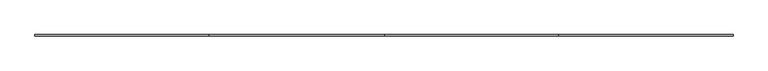
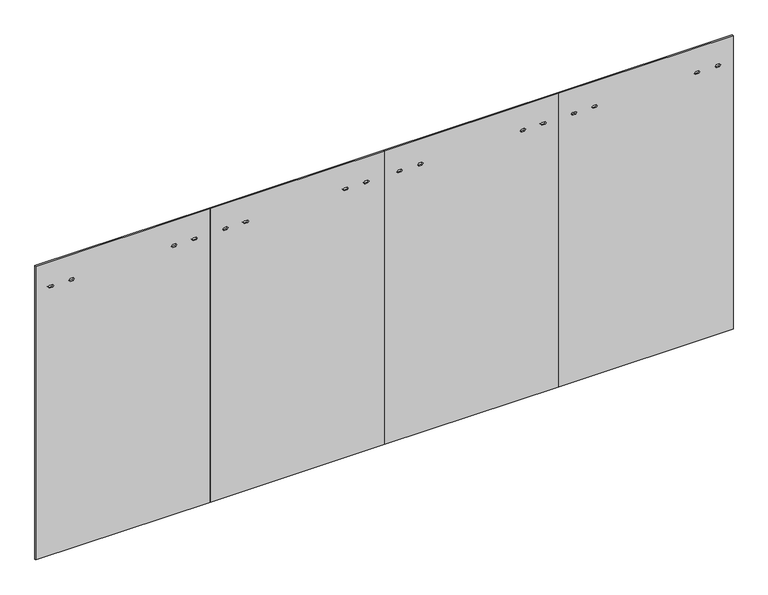
"""IFC4 building model written with IfcOpenShell, lengths in millimetres: furniture geometry."""

import ifcopenshell
import ifcopenshell.guid

model = None  # the IFC model being written
_history = None  # IfcOwnerHistory: only IFC2X3 demands one
_inside = {}  # id of a spatial element -> (the spatial element, [elements in it])
_under = {}  # id of a project, library or spatial element -> (it, [spatial elements below it])
_declared = {}  # id of a project -> (the project, [libraries it declares])
_typed = {}  # id of a type object -> (the type object, [elements of that type])
_made_of = {}  # id of a material, layer set ... -> (it, [elements and type objects made of it])


def new_model(schema):
    """Start an empty IFC model of exactly this schema.

    Asked for "IFC4X3", IfcOpenShell would pick the latest addendum, in which some entities
    have other attributes; the version numbers below select the first issue.
    IFC2X3 requires an IfcOwnerHistory on every rooted entity: one is made here for all.
    """
    global model, _history
    if schema == "IFC4X3":
        model = ifcopenshell.file(schema_version=(4, 3, 0, 0))
    else:
        model = ifcopenshell.file(schema=schema)
    _inside.clear()
    _under.clear()
    _declared.clear()
    _typed.clear()
    _made_of.clear()
    _history = None
    if model.schema == "IFC2X3":
        org = make("IfcOrganization", Name="unknown")
        user = make(
            "IfcPersonAndOrganization",
            ThePerson=make("IfcPerson", FamilyName="unknown"),
            TheOrganization=org,
        )
        app = make(
            "IfcApplication",
            ApplicationDeveloper=org,
            Version="unknown",
            ApplicationFullName="unknown",
            ApplicationIdentifier="unknown",
        )
        _history = make(
            "IfcOwnerHistory",
            OwningUser=user,
            OwningApplication=app,
            ChangeAction="ADDED",
            CreationDate=0,
        )
    return model


def make(cls, **values):
    """One entity of the class cls with the attributes given. An attribute that is None is left unset."""
    return model.create_entity(
        cls, **{name: value for name, value in values.items() if value is not None}
    )


def rooted(cls, **values):
    """An entity with a GlobalId (a new one), such as an element, a storey or a relation."""
    return make(cls, GlobalId=ifcopenshell.guid.new(), OwnerHistory=_history, **values)


def si_unit(unit_type, name, prefix=None):
    """IfcSIUnit, for example si_unit("LENGTHUNIT", "METRE", prefix="MILLI")."""
    return make("IfcSIUnit", UnitType=unit_type, Prefix=prefix, Name=name)


def assignment(units):
    """IfcUnitAssignment: the units of a project."""
    return None if units is None else make("IfcUnitAssignment", Units=units)


def point(xyz):
    """IfcCartesianPoint."""
    return None if xyz is None else make("IfcCartesianPoint", Coordinates=xyz)


def direction(xyz):
    """IfcDirection."""
    return None if xyz is None else make("IfcDirection", DirectionRatios=xyz)


def frame(location, z_axis=None, x_axis=None):
    """IfcAxis2Placement3D, a coordinate frame: its origin and axes. An axis left out is left unset."""
    return make(
        "IfcAxis2Placement3D",
        Location=point(location),
        Axis=direction(z_axis),
        RefDirection=direction(x_axis),
    )


def origin():
    """The frame at (0, 0, 0) with its axes left unset."""
    return frame((0.0, 0.0, 0.0))


def place(relative_to, where):
    """IfcLocalPlacement: puts the frame where relative to a parent placement (None: the world)."""
    return make(
        "IfcLocalPlacement", PlacementRelTo=relative_to, RelativePlacement=where
    )


def context(
    kind, dimensions, precision=None, world=None, true_north=None, identifier=None
):
    """IfcGeometricRepresentationContext, for example the 3D "Model" context."""
    return make(
        "IfcGeometricRepresentationContext",
        ContextIdentifier=identifier,
        ContextType=kind,
        CoordinateSpaceDimension=dimensions,
        Precision=precision,
        WorldCoordinateSystem=world,
        TrueNorth=true_north,
    )


def project(units=None, contexts=None):
    """IfcProject with its units and contexts."""
    return rooted(
        "IfcProject",
        Name="project",
        RepresentationContexts=contexts,
        UnitsInContext=assignment(units),
    )


def spatial(cls, under=None, at=None, **own):
    """A site, building, storey or space (cls), placed at a placement, below another one or the project."""
    s = rooted(cls, ObjectPlacement=at, **own)
    if under is not None:
        _under.setdefault(under.id(), (under, []))[1].append(s)
    return s


def polyline(points):
    """IfcPolyline through the points."""
    return make("IfcPolyline", Points=[point(p) for p in points])


def outline(outer, holes=None, kind="AREA"):
    """IfcArbitraryClosedProfileDef: a profile drawn as a closed curve; with holes, ...WithVoids."""
    if holes is None:
        return make("IfcArbitraryClosedProfileDef", ProfileType=kind, OuterCurve=outer)
    return make(
        "IfcArbitraryProfileDefWithVoids",
        ProfileType=kind,
        OuterCurve=outer,
        InnerCurves=holes,
    )


def extrude(swept, where, along, depth):
    """IfcExtrudedAreaSolid: the profile swept, set in the frame where, extruded along a direction by depth."""
    return make(
        "IfcExtrudedAreaSolid",
        SweptArea=swept,
        Position=where,
        ExtrudedDirection=direction(along),
        Depth=depth,
    )


def shape(context_of_items, identifier, shape_type, items):
    """IfcShapeRepresentation: the items that make up one representation, for example the "Body"."""
    return make(
        "IfcShapeRepresentation",
        ContextOfItems=context_of_items,
        RepresentationIdentifier=identifier,
        RepresentationType=shape_type,
        Items=items,
    )


def source(mapping_origin, context_of_items, identifier, shape_type, items):
    """IfcRepresentationMap: a shape defined once, which mapped items show again and again."""
    return make(
        "IfcRepresentationMap",
        MappingOrigin=mapping_origin,
        MappedRepresentation=shape(context_of_items, identifier, shape_type, items),
    )


def transform(
    local_origin,
    x_axis=None,
    y_axis=None,
    z_axis=None,
    scale=None,
    scale2=None,
    scale3=None,
    uniform=True,
):
    """IfcCartesianTransformationOperator3D, or its non-uniform kind. x_axis, y_axis, z_axis: its Axis1, 2, 3."""
    if uniform:
        return make(
            "IfcCartesianTransformationOperator3D",
            Axis1=direction(x_axis),
            Axis2=direction(y_axis),
            LocalOrigin=point(local_origin),
            Scale=scale,
            Axis3=direction(z_axis),
        )
    return make(
        "IfcCartesianTransformationOperator3DnonUniform",
        Axis1=direction(x_axis),
        Axis2=direction(y_axis),
        LocalOrigin=point(local_origin),
        Scale=scale,
        Axis3=direction(z_axis),
        Scale2=scale2,
        Scale3=scale3,
    )


def mapped(mapping_source, mapping_target):
    """IfcMappedItem: shows the shape of a source again, moved by a transform."""
    return make(
        "IfcMappedItem", MappingSource=mapping_source, MappingTarget=mapping_target
    )


def made_of(thing, what):
    """Note that an element or type object is made of a material, layer set ...; save() writes the relation."""
    if what is not None:
        _made_of.setdefault(what.id(), (what, []))[1].append(thing)
    return thing


def element(
    cls,
    number,
    at=None,
    inside=None,
    cuts=None,
    type_object=None,
    material=None,
    context=None,
    identifier="Body",
    shape_type=None,
    held_by="IfcProductDefinitionShape",
    body=None,
    shapes=None,
    **own,
):
    """One element of the class cls, such as IfcWall. Its Tag is "e" and its number.

    at: its placement. inside: the storey or other place that contains it. cuts: it is an
    opening in that element (IfcRelVoidsElement). A single representation is given by context,
    identifier, shape_type and body (its items); several are given by shapes. held_by: the class
    of the entity that holds the representations. save() writes the other relations.
    """
    e = rooted(cls, Tag="e%d" % number, ObjectPlacement=at, **own)
    if body is not None:
        shapes = [shape(context, identifier, shape_type, body)]
    if shapes is not None:
        e.Representation = make(held_by, Representations=shapes)
    if inside is not None:
        _inside.setdefault(inside.id(), (inside, []))[1].append(e)
    if cuts is not None:
        rooted(
            "IfcRelVoidsElement", RelatingBuildingElement=cuts, RelatedOpeningElement=e
        )
    if type_object is not None:
        _typed.setdefault(type_object.id(), (type_object, []))[1].append(e)
    return made_of(e, material)


def aggregate(whole, parts):
    """IfcRelAggregates: a whole, such as a stair, and the parts it consists of."""
    return rooted("IfcRelAggregates", RelatingObject=whole, RelatedObjects=parts)


def save(model, path):
    """Write the relations noted so far, then the file.

    IfcRelAggregates (storeys below a building ...), IfcRelContainedInSpatialStructure (elements
    in a storey), IfcRelDefinesByType, IfcRelAssociatesMaterial and IfcRelDeclares: one each for
    every whole, place, type object, material and project.
    """
    for whole, parts in _under.values():
        aggregate(whole, parts)
    for where, things in _inside.values():
        rooted(
            "IfcRelContainedInSpatialStructure",
            RelatedElements=things,
            RelatingStructure=where,
        )
    for kind, things in _typed.values():
        rooted("IfcRelDefinesByType", RelatedObjects=things, RelatingType=kind)
    for what, things in _made_of.values():
        rooted("IfcRelAssociatesMaterial", RelatedObjects=things, RelatingMaterial=what)
    for by, libraries in _declared.values():
        rooted("IfcRelDeclares", RelatingContext=by, RelatedDefinitions=libraries)
    model.write(path)


def furniture_c3ea81b7(model_context):
    return source(origin(), model_context, "Body", "SweptSolid", [
        extrude(outline(polyline([(12.7, 4881.88), (2186.3010468, 4881.88), (2186.3010468, 3661.41), (12.7, 3661.41), (12.7, 4881.88)]), holes=[polyline([(2001.1032968, 3749.4399829), (2011.0981968, 3757.4917829), (2011.0981968, 3779.4881829), (2001.1032968, 3787.5399829), (1991.1083968, 3779.4881829), (1991.1083968, 3757.4917829), (2001.1032968, 3749.4399829)]), polyline([(2001.1032968, 3893.859983), (2011.0981968, 3901.911783), (2011.0981968, 3923.908183), (2001.1032968, 3931.959983), (1991.1083968, 3923.908183), (1991.1083968, 3901.911783), (2001.1032968, 3893.859983)]), polyline([(2001.1032968, 4611.330017), (2011.0981968, 4619.381817), (2011.0981968, 4641.378217), (2001.1032968, 4649.430017), (1991.1083968, 4641.378217), (1991.1083968, 4619.381817), (2001.1032968, 4611.330017)]), polyline([(2001.1032968, 4755.7500171), (2011.0981968, 4763.8018171), (2011.0981968, 4785.7982171), (2001.1032968, 4793.8500171), (1991.1083968, 4785.7982171), (1991.1083968, 4763.8018171), (2001.1032968, 4755.7500171)])]), frame((0.0, -4.7752, 0.0), z_axis=(0.0, 1.0, 0.0), x_axis=(0.0, 0.0, 1.0)), (0.0, 0.0, 1.0), 9.525),
        extrude(outline(polyline([(12.7, 2440.94), (2186.3010468, 2440.94), (2186.3010468, 1220.47), (12.7, 1220.47), (12.7, 2440.94)]), holes=[polyline([(2001.1032968, 1308.4999829), (2011.0981968, 1316.5517829), (2011.0981968, 1338.5481829), (2001.1032968, 1346.5999829), (1991.1083968, 1338.5481829), (1991.1083968, 1316.5517829), (2001.1032968, 1308.4999829)]), polyline([(2001.1032968, 1452.919983), (2011.0981968, 1460.971783), (2011.0981968, 1482.968183), (2001.1032968, 1491.019983), (1991.1083968, 1482.968183), (1991.1083968, 1460.971783), (2001.1032968, 1452.919983)]), polyline([(2001.1032968, 2151.340017), (2011.0981968, 2159.391817), (2011.0981968, 2181.388217), (2001.1032968, 2189.440017), (1991.1083968, 2181.388217), (1991.1083968, 2159.391817), (2001.1032968, 2151.340017)]), polyline([(2001.1032968, 2295.7600171), (2011.0981968, 2303.8118171), (2011.0981968, 2325.8082171), (2001.1032968, 2333.8600171), (1991.1083968, 2325.8082171), (1991.1083968, 2303.8118171), (2001.1032968, 2295.7600171)])]), frame((0.0, -4.7752, 0.0), z_axis=(0.0, 1.0, 0.0), x_axis=(0.0, 0.0, 1.0)), (0.0, 0.0, 1.0), 9.525),
        extrude(outline(polyline([(12.7, 2440.94), (12.7, 3661.41), (2186.3010468, 3661.41), (2186.3010468, 2440.94), (12.7, 2440.94)]), holes=[polyline([(2001.1032968, 2528.9699829), (2011.0981968, 2537.0217829), (2011.0981968, 2559.0181829), (2001.1032968, 2567.0699829), (1991.1083968, 2559.0181829), (1991.1083968, 2537.0217829), (2001.1032968, 2528.9699829)]), polyline([(2001.1032968, 2673.389983), (2011.0981968, 2681.441783), (2011.0981968, 2703.438183), (2001.1032968, 2711.489983), (1991.1083968, 2703.438183), (1991.1083968, 2681.441783), (2001.1032968, 2673.389983)]), polyline([(2001.1032968, 3390.860017), (2011.0981968, 3398.911817), (2011.0981968, 3420.908217), (2001.1032968, 3428.960017), (1991.1083968, 3420.908217), (1991.1083968, 3398.911817), (2001.1032968, 3390.860017)]), polyline([(2001.1032968, 3535.2800171), (2011.0981968, 3543.3318171), (2011.0981968, 3565.3282171), (2001.1032968, 3573.3800171), (1991.1083968, 3565.3282171), (1991.1083968, 3543.3318171), (2001.1032968, 3535.2800171)])]), frame((0.0, -4.7752, 0.0), z_axis=(0.0, 1.0, 0.0), x_axis=(0.0, 0.0, 1.0)), (0.0, 0.0, 1.0), 9.525),
        extrude(outline(polyline([(12.7, 0.0), (12.7, 1220.47), (2186.3010468, 1220.47), (2186.3010468, 0.0), (12.7, 0.0)]), holes=[polyline([(2001.1032968, 88.0299829), (2011.0981968, 96.0817829), (2011.0981968, 118.0781829), (2001.1032968, 126.1299829), (1991.1083968, 118.0781829), (1991.1083968, 96.0817829), (2001.1032968, 88.0299829)]), polyline([(2001.1032968, 232.449983), (2011.0981968, 240.501783), (2011.0981968, 262.498183), (2001.1032968, 270.549983), (1991.1083968, 262.498183), (1991.1083968, 240.501783), (2001.1032968, 232.449983)]), polyline([(2001.1032968, 949.920017), (2011.0981968, 957.971817), (2011.0981968, 979.968217), (2001.1032968, 988.020017), (1991.1083968, 979.968217), (1991.1083968, 957.971817), (2001.1032968, 949.920017)]), polyline([(2001.1032968, 1094.3400171), (2011.0981968, 1102.3918171), (2011.0981968, 1124.3882171), (2001.1032968, 1132.4400171), (1991.1083968, 1124.3882171), (1991.1083968, 1102.3918171), (2001.1032968, 1094.3400171)])]), frame((0.0, -4.7752, 0.0), z_axis=(0.0, 1.0, 0.0), x_axis=(0.0, 0.0, 1.0)), (0.0, 0.0, 1.0), 9.525),
    ])


if __name__ == "__main__":
    model = new_model("IFC4")
    model_context = context("Model", 3, world=origin())
    ifc_project = project(units=[si_unit("LENGTHUNIT", "METRE", prefix="MILLI")], contexts=[model_context])
    site = spatial("IfcSite", under=ifc_project)
    building = spatial("IfcBuilding", under=site)
    placement = place(None, origin())
    furniture_shape = furniture_c3ea81b7(model_context)
    element("IfcFurniture", 1, at=placement, inside=building, context=model_context, shape_type="MappedRepresentation", body=[
        mapped(furniture_shape, transform((0.0, 0.0, 0.0), x_axis=(1.0, 0.0, 0.0), y_axis=(0.0, 1.0, 0.0), z_axis=(0.0, 0.0, 1.0))),
    ])
    save(model, "model.ifc")
